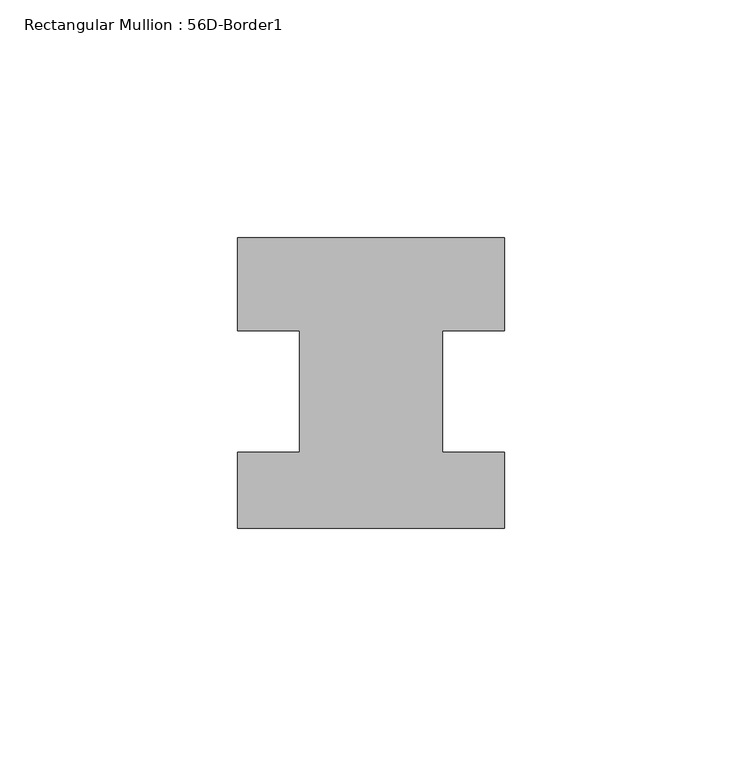
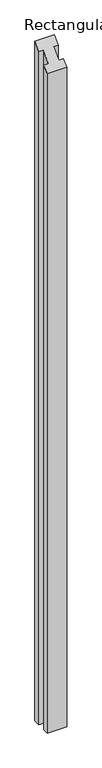
"""IFC4 building model written with IfcOpenShell, lengths in millimetres: member geometry, Rectangular Mullion : 56D-Border1."""

from ifc_helpers import new_model, si_unit, origin, place, context, project, spatial, faceted_brep, source, transform, mapped, element, save


def rectangular_mullion_56d_border1_cfc7a6fe(model_context):
    return source(origin(), model_context, "Body", "Brep", [
        faceted_brep([(-56.0, 20.0, -2044.0), (0.0, 20.0, -2044.0), (0.0, 0.5, -2044.0), (-13.0, 0.5, -2044.0), (-13.0, -25.0, -2044.0), (0.0, -25.0, -2044.0), (0.0, -41.0, -2044.0), (-56.0, -41.0, -2044.0), (-56.0, -25.0, -2044.0), (-43.0, -25.0, -2044.0), (-43.0, 0.5, -2044.0), (-56.0, 0.5, -2044.0), (-56.0, 0.5, 0.5), (-56.0, 20.0, 20.0), (-43.0, 0.5, 0.5), (-43.0, -25.0, -25.0), (-56.0, -25.0, -25.0), (-56.0, -41.0, -41.0), (0.0, -41.0, -41.0), (0.0, -25.0, -25.0), (-13.0, -25.0, -25.0), (-13.0, 0.5, 0.5), (0.0, 0.5, 0.5), (0.0, 20.0, 20.0)], [[[0, 1, 2, 3, 4, 5, 6, 7, 8, 9, 10, 11]], [[12, 13, 0, 11]], [[14, 12, 11, 10]], [[15, 14, 10, 9]], [[16, 15, 9, 8]], [[17, 16, 8, 7]], [[18, 17, 7, 6]], [[19, 18, 6, 5]], [[20, 19, 5, 4]], [[21, 20, 4, 3]], [[22, 21, 3, 2]], [[23, 22, 2, 1]], [[13, 23, 1, 0]], [[13, 12, 14, 15, 16, 17, 18, 19, 20, 21, 22, 23]]]),
    ])


if __name__ == "__main__":
    model = new_model("IFC4")
    model_context = context("Model", 3, world=origin())
    ifc_project = project(units=[si_unit("LENGTHUNIT", "METRE", prefix="MILLI")], contexts=[model_context])
    site = spatial("IfcSite", under=ifc_project)
    building = spatial("IfcBuilding", under=site)
    placement = place(None, origin())
    rectangular_mullion_56d_border1_shape = rectangular_mullion_56d_border1_cfc7a6fe(model_context)
    element("IfcMember", 1, ObjectType="Rectangular Mullion : 56D-Border1", at=placement, inside=building, context=model_context, shape_type="MappedRepresentation", body=[
        mapped(rectangular_mullion_56d_border1_shape, transform((0.0, 0.0, 0.0), x_axis=(1.0, 0.0, 0.0), y_axis=(0.0, 1.0, 0.0), z_axis=(0.0, 0.0, 1.0))),
    ])
    save(model, "model.ifc")
